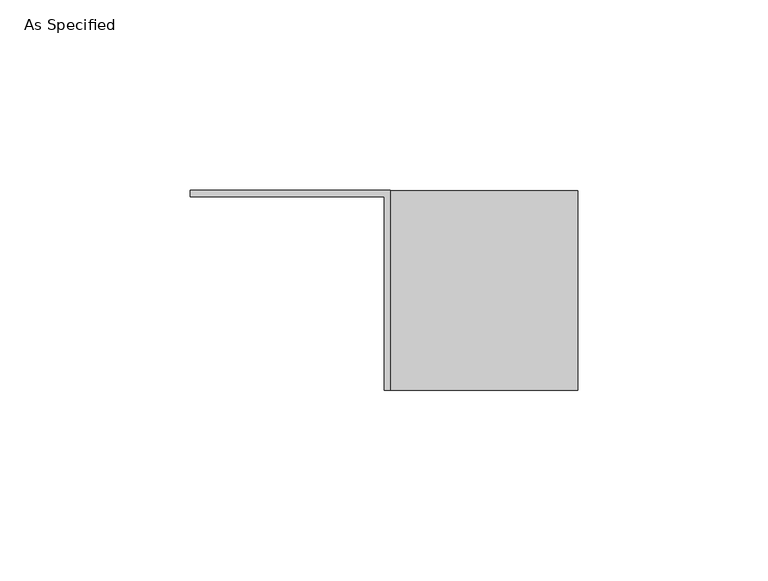
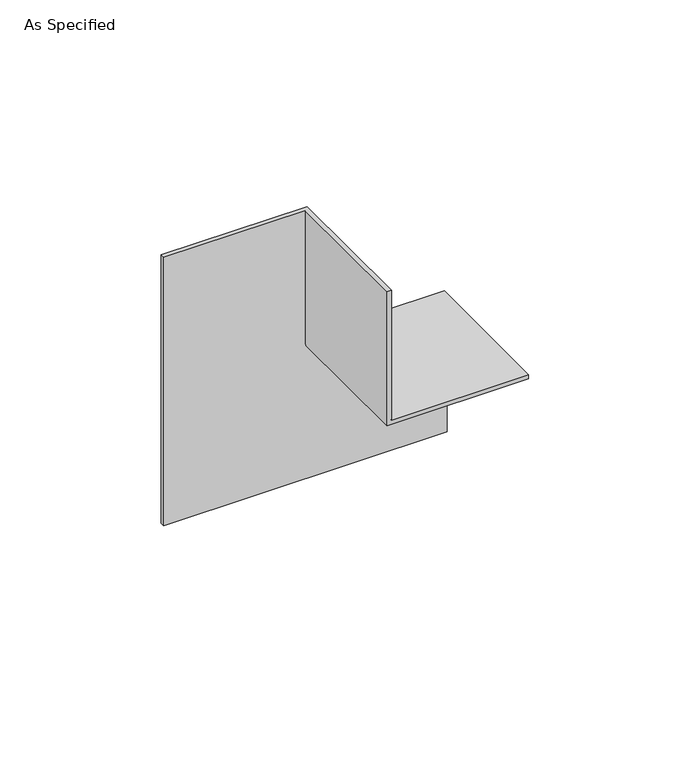
"""IFC4 building model written with IfcOpenShell, lengths in millimetres: proxy geometry, As Specified."""

from ifc_helpers import new_model, si_unit, origin, place, context, project, spatial, faceted_brep, source, transform, mapped, element, save


def as_specified_06039aac(model_context):
    return source(origin(), model_context, "Body", "Brep", [
        faceted_brep([(50.8, 0.0, 0.0), (50.8, 1.5875, 0.0), (50.8, 1.5875, 52.3875), (50.8, -50.8, 52.3875), (50.8, -50.8, 50.8), (50.8, 0.0, 50.8), (-50.8, 0.0, 0.0), (-50.8, 1.5875, 0.0), (-50.8, 1.5875, 101.6), (1.5875, 1.5875, 101.6), (1.5875, 1.5875, 52.3875), (1.5875, -50.8, 52.3875), (1.5875, -50.8, 101.6), (0.0, -50.8, 101.6), (0.0, -50.8, 50.8), (0.0, 0.0, 50.8), (0.0, 0.0, 101.6), (-50.8, 0.0, 101.6)], [[[0, 1, 2, 3, 4, 5]], [[1, 0, 6, 7]], [[2, 1, 7, 8, 9, 10]], [[3, 2, 10, 11]], [[4, 3, 11, 12, 13, 14]], [[5, 4, 14, 15]], [[0, 5, 15, 16, 17, 6]], [[17, 16, 13, 12, 9, 8]], [[7, 6, 17, 8]], [[11, 10, 9, 12]], [[15, 14, 13, 16]]]),
    ])


if __name__ == "__main__":
    model = new_model("IFC4")
    model_context = context("Model", 3, world=origin())
    ifc_project = project(units=[si_unit("LENGTHUNIT", "METRE", prefix="MILLI")], contexts=[model_context])
    site = spatial("IfcSite", under=ifc_project)
    building = spatial("IfcBuilding", under=site)
    placement = place(None, origin())
    as_specified_shape = as_specified_06039aac(model_context)
    element("IfcBuildingElementProxy", 1, Name="As Specified", ObjectType="As Specified", at=placement, inside=building, context=model_context, shape_type="MappedRepresentation", body=[
        mapped(as_specified_shape, transform((0.0, 0.0, 0.0), x_axis=(1.0, 0.0, 0.0), y_axis=(0.0, 1.0, 0.0), z_axis=(0.0, 0.0, 1.0))),
    ])
    save(model, "model.ifc")
